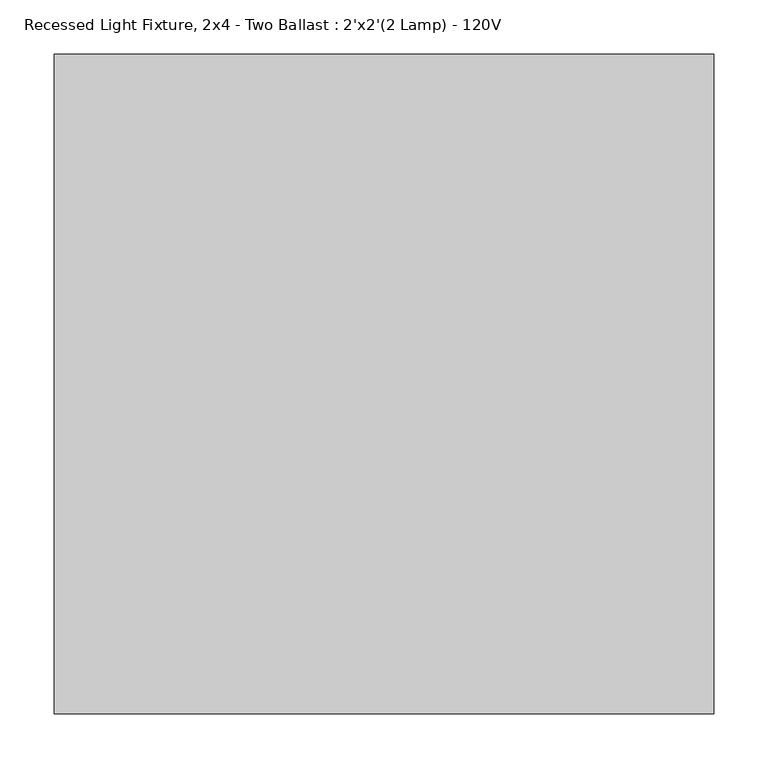
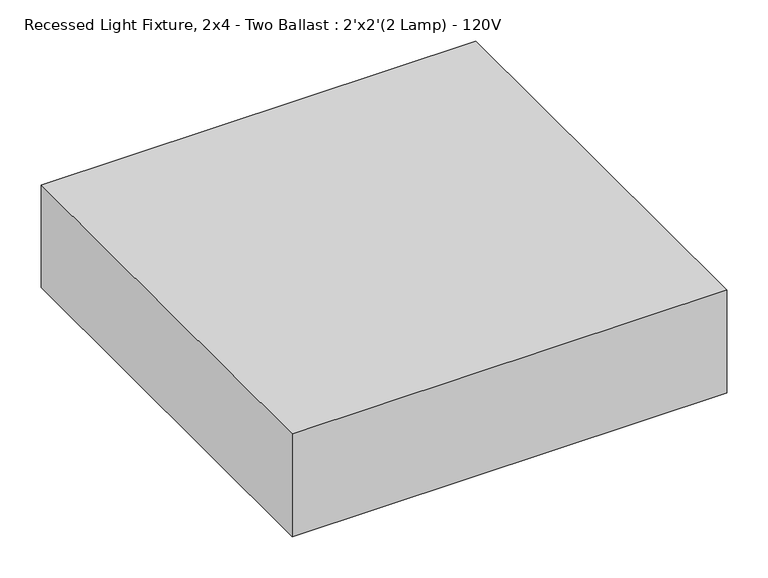
"""IFC4 building model written with IfcOpenShell, lengths in millimetres: light fixture geometry, Recessed Light Fixture, 2x4 - Two Ballast : 2'x2'(2 Lamp) - 120V."""

from ifc_helpers import new_model, si_unit, frame, origin, place, context, project, spatial, polyline, outline, extrude, source, transform, mapped, element, save


def recessed_light_fixture_2x4_two_ballast_2_x2_2_lamp_120v_6e9825ec(model_context):
    return source(origin(), model_context, "Body", "SweptSolid", [
        extrude(outline(polyline([(609.6, 0.0), (609.6, -609.6), (0.0, -609.6), (0.0, 0.0), (609.6, 0.0)])), frame((0.0, 0.0, -152.4), z_axis=(0.0, 0.0, 1.0), x_axis=(1.0, 0.0, 0.0)), (0.0, 0.0, 1.0), 152.4),
    ])


if __name__ == "__main__":
    model = new_model("IFC4")
    model_context = context("Model", 3, world=origin())
    ifc_project = project(units=[si_unit("LENGTHUNIT", "METRE", prefix="MILLI")], contexts=[model_context])
    site = spatial("IfcSite", under=ifc_project)
    building = spatial("IfcBuilding", under=site)
    placement = place(None, origin())
    recessed_light_fixture_2x4_two_ballast_2_x2_2_lamp_120v_shape = recessed_light_fixture_2x4_two_ballast_2_x2_2_lamp_120v_6e9825ec(model_context)
    element("IfcLightFixture", 1, ObjectType="Recessed Light Fixture, 2x4 - Two Ballast : 2'x2'(2 Lamp) - 120V", at=placement, inside=building, context=model_context, shape_type="MappedRepresentation", body=[
        mapped(recessed_light_fixture_2x4_two_ballast_2_x2_2_lamp_120v_shape, transform((0.0, 0.0, 0.0), x_axis=(1.0, 0.0, 0.0), y_axis=(0.0, 1.0, 0.0), z_axis=(0.0, 0.0, 1.0))),
    ])
    save(model, "model.ifc")
